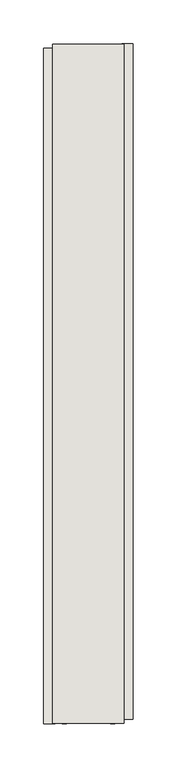
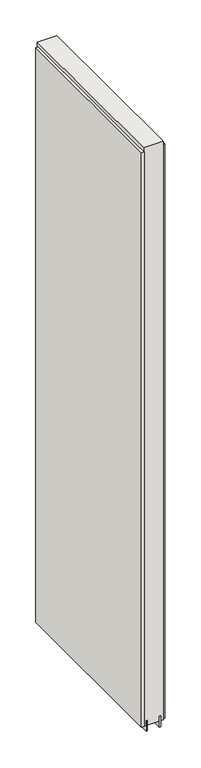
"""IFC4 building model written with IfcOpenShell, lengths in millimetres: wall geometry."""

from ifc_helpers import new_model, si_unit, frame, origin, place, context, project, spatial, polyline, outline, extrude, source, transform, mapped, element, save


def wall_57321418(model_context):
    return source(origin(), model_context, "Body", "SweptSolid", [
        extrude(outline(polyline([(61018.457211, -42569.7749314), (61018.457211, -42572.3149314), (61015.917211, -42572.3149314), (61015.917211, -42569.7749314), (61018.457211, -42569.7749314)])), frame((0.0, 0.0, 4419.6), z_axis=(0.0, 0.0, 1.0), x_axis=(1.0, 0.0, 0.0)), (0.0, 0.0, 1.0), 2.54),
        extrude(outline(polyline([(60966.387211, -43341.9404813), (60966.387211, -42574.2416611), (60979.087211, -42574.2416611), (60979.087211, -43341.9404813), (60966.387211, -43341.9404813)])), frame((0.0, 0.0, 4445.0), z_axis=(0.0, 0.0, 1.0), x_axis=(1.0, 0.0, 0.0)), (0.0, 0.0, 1.0), 2545.0498756),
        extrude(outline(polyline([(61067.987211, -42569.3117243), (61067.987211, -43337.0105445), (61055.287211, -43337.0105445), (61055.287211, -42569.3117243), (61067.987211, -42569.3117243)])), frame((0.0, 0.0, 4445.0), z_axis=(0.0, 0.0, 1.0), x_axis=(1.0, 0.0, 0.0)), (0.0, 0.0, 1.0), 2545.0498756),
        extrude(outline(polyline([(60992.1034664, -42569.7643904), (60992.1034664, -43341.4692224), (60987.024711, -43341.4692224), (60987.024711, -42569.7643904), (60992.1034664, -42569.7643904)])), frame((0.0, 0.0, 4418.6602), z_axis=(0.0, 0.0, 1.0), x_axis=(1.0, 0.0, 0.0)), (0.0, 0.0, 1.0), 47.625),
        extrude(outline(polyline([(60992.1034664, -42569.7643904), (60992.1034664, -43341.4692224), (60987.024711, -43341.4692224), (60987.024711, -42569.7643904), (60992.1034664, -42569.7643904)])), frame((0.0, 0.0, 4418.6602), z_axis=(0.0, 0.0, 1.0), x_axis=(1.0, 0.0, 0.0)), (0.0, 0.0, 1.0), 47.625),
        extrude(outline(polyline([(61042.2709556, -43341.4692224), (61042.2709556, -42569.7643904), (61047.349711, -42569.7643904), (61047.349711, -43341.4692224), (61042.2709556, -43341.4692224)])), frame((0.0, 0.0, 4418.6602), z_axis=(0.0, 0.0, 1.0), x_axis=(1.0, 0.0, 0.0)), (0.0, 0.0, 1.0), 47.625),
        extrude(outline(polyline([(61042.2709556, -43341.4692224), (61042.2709556, -42569.7643904), (61047.349711, -42569.7643904), (61047.349711, -43341.4692224), (61042.2709556, -43341.4692224)])), frame((0.0, 0.0, 4418.6602), z_axis=(0.0, 0.0, 1.0), x_axis=(1.0, 0.0, 0.0)), (0.0, 0.0, 1.0), 47.625),
        extrude(outline(polyline([(60976.5323266, -42569.7643904), (61057.8420954, -42569.7643904), (61057.8420954, -43341.4692224), (60976.5323266, -43341.4692224), (60976.5323266, -42569.7643904)])), frame((0.0, 0.0, 4445.0), z_axis=(0.0, 0.0, 1.0), x_axis=(1.0, 0.0, 0.0)), (0.0, 0.0, 1.0), 2562.4536762),
    ])


if __name__ == "__main__":
    model = new_model("IFC4")
    model_context = context("Model", 3, world=origin())
    ifc_project = project(units=[si_unit("LENGTHUNIT", "METRE", prefix="MILLI")], contexts=[model_context])
    site = spatial("IfcSite", under=ifc_project)
    building = spatial("IfcBuilding", under=site)
    placement = place(None, origin())
    wall_shape = wall_57321418(model_context)
    element("IfcWall", 1, at=placement, inside=building, context=model_context, shape_type="MappedRepresentation", body=[
        mapped(wall_shape, transform((0.0, 0.0, 0.0), x_axis=(1.0, 0.0, 0.0), y_axis=(0.0, 1.0, 0.0), z_axis=(0.0, 0.0, 1.0))),
    ])
    save(model, "model.ifc")
